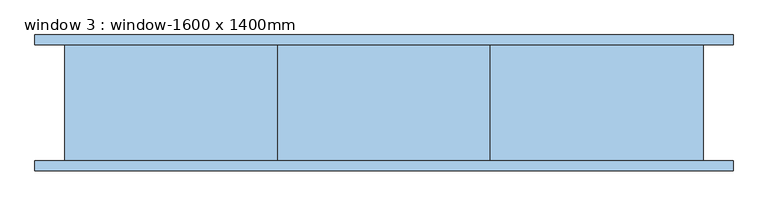
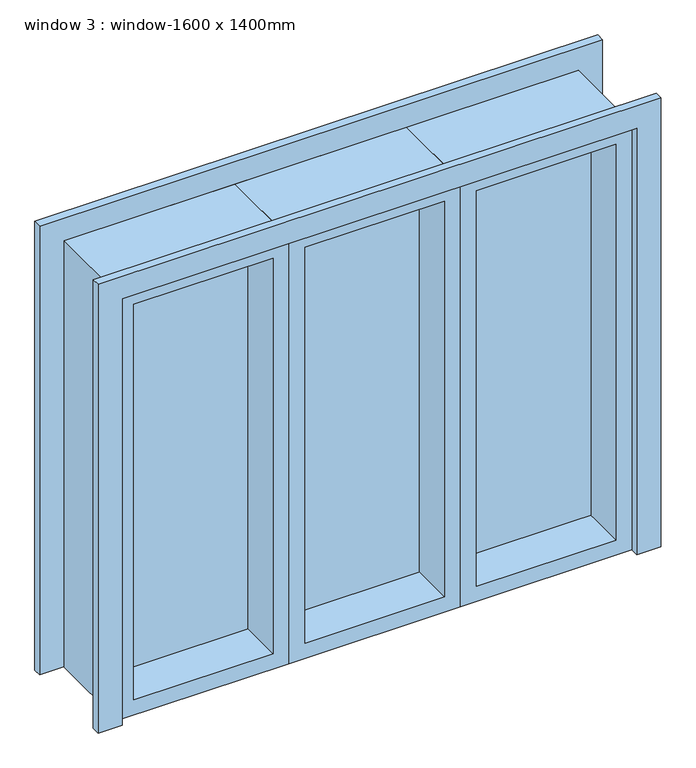
"""IFC4 building model written with IfcOpenShell, lengths in millimetres: window geometry, window 3 : window-1600 x 1400mm."""

from ifc_helpers import new_model, si_unit, frame, origin, place, context, project, spatial, polyline, outline, extrude, source, transform, mapped, element, save


def window_3_window_1600_x_1400mm_f1d5c833(model_context):
    return source(origin(), model_context, "Body", "SweptSolid", [
        extrude(outline(polyline([(1400.0, -800.0), (1400.0, 800.0), (0.0, 800.0), (0.0, 875.0), (1475.0, 875.0), (1475.0, -875.0), (0.0, -875.0), (0.0, -800.0), (1400.0, -800.0)])), frame((0.0, 145.0, 0.0), z_axis=(0.0, 1.0, 0.0), x_axis=(0.0, 0.0, 1.0)), (0.0, 0.0, 1.0), 25.0),
        extrude(outline(polyline([(1475.0, -875.0), (0.0, -875.0), (0.0, -800.0), (1400.0, -800.0), (1400.0, 800.0), (0.0, 800.0), (0.0, 875.0), (1475.0, 875.0), (1475.0, -875.0)])), frame((0.0, -170.0, 0.0), z_axis=(0.0, 1.0, 0.0), x_axis=(0.0, 0.0, 1.0)), (0.0, 0.0, 1.0), 25.0),
        extrude(outline(polyline([(750.0, -10.0), (316.6666667, -10.0), (316.6666667, 10.0), (750.0, 10.0), (750.0, -10.0)])), frame((0.0, 0.0, 50.0), z_axis=(0.0, 0.0, 1.0), x_axis=(1.0, 0.0, 0.0)), (0.0, 0.0, 1.0), 1300.0),
        extrude(outline(polyline([(-316.6666667, -10.0), (-750.0, -10.0), (-750.0, 10.0), (-316.6666667, 10.0), (-316.6666667, -10.0)])), frame((0.0, 0.0, 50.0), z_axis=(0.0, 0.0, 1.0), x_axis=(1.0, 0.0, 0.0)), (0.0, 0.0, 1.0), 1300.0),
        extrude(outline(polyline([(216.6666667, -10.0), (-216.6666667, -10.0), (-216.6666667, 10.0), (216.6666667, 10.0), (216.6666667, -10.0)])), frame((0.0, 0.0, 50.0), z_axis=(0.0, 0.0, 1.0), x_axis=(1.0, 0.0, 0.0)), (0.0, 0.0, 1.0), 1300.0),
        extrude(outline(polyline([(1400.0, 800.0), (1400.0, 266.6666667), (0.0, 266.6666667), (0.0, 800.0), (1400.0, 800.0)]), holes=[polyline([(1350.0, 750.0), (50.0, 750.0), (50.0, 316.6666667), (1350.0, 316.6666667), (1350.0, 750.0)])]), frame((0.0, -145.0, 0.0), z_axis=(0.0, 1.0, 0.0), x_axis=(0.0, 0.0, 1.0)), (0.0, 0.0, 1.0), 290.0),
        extrude(outline(polyline([(1400.0, 266.6666667), (1400.0, -266.6666667), (0.0, -266.6666667), (0.0, 266.6666667), (1400.0, 266.6666667)]), holes=[polyline([(1350.0, 216.6666667), (50.0, 216.6666667), (50.0, -216.6666667), (1350.0, -216.6666667), (1350.0, 216.6666667)])]), frame((0.0, -145.0, 0.0), z_axis=(0.0, 1.0, 0.0), x_axis=(0.0, 0.0, 1.0)), (0.0, 0.0, 1.0), 290.0),
        extrude(outline(polyline([(1400.0, -266.6666667), (1400.0, -800.0), (0.0, -800.0), (0.0, -266.6666667), (1400.0, -266.6666667)]), holes=[polyline([(1350.0, -316.6666667), (50.0, -316.6666667), (50.0, -750.0), (1350.0, -750.0), (1350.0, -316.6666667)])]), frame((0.0, -145.0, 0.0), z_axis=(0.0, 1.0, 0.0), x_axis=(0.0, 0.0, 1.0)), (0.0, 0.0, 1.0), 290.0),
    ])


if __name__ == "__main__":
    model = new_model("IFC4")
    model_context = context("Model", 3, world=origin())
    ifc_project = project(units=[si_unit("LENGTHUNIT", "METRE", prefix="MILLI")], contexts=[model_context])
    site = spatial("IfcSite", under=ifc_project)
    building = spatial("IfcBuilding", under=site)
    placement = place(None, origin())
    window_3_window_1600_x_1400mm_shape = window_3_window_1600_x_1400mm_f1d5c833(model_context)
    element("IfcWindow", 1, ObjectType="window 3 : window-1600 x 1400mm", at=placement, inside=building, context=model_context, shape_type="MappedRepresentation", body=[
        mapped(window_3_window_1600_x_1400mm_shape, transform((0.0, 0.0, 0.0), x_axis=(1.0, 0.0, 0.0), y_axis=(0.0, 1.0, 0.0), z_axis=(0.0, 0.0, 1.0))),
    ])
    save(model, "model.ifc")
